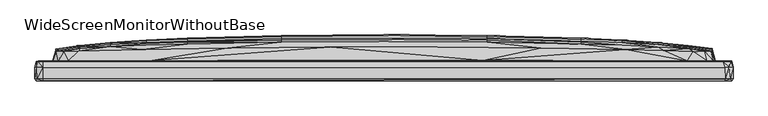
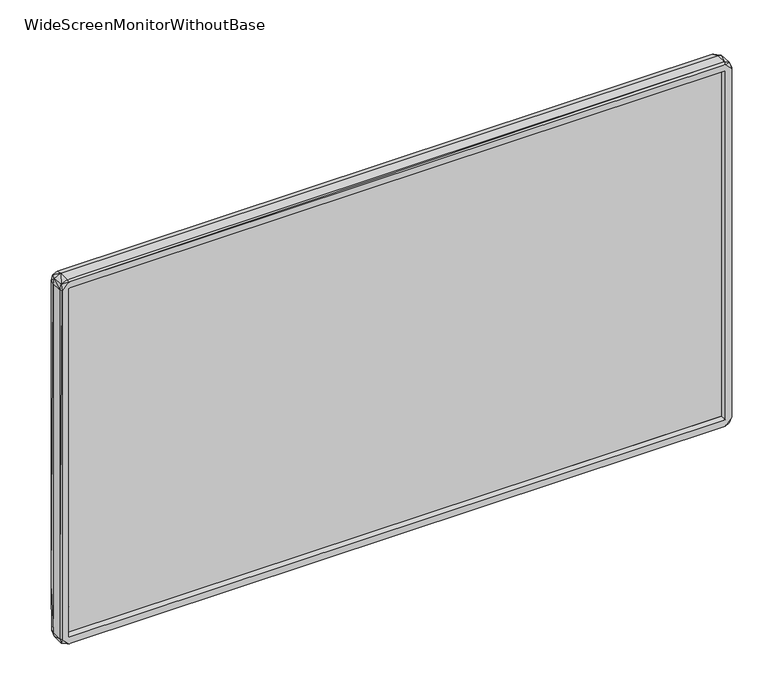
"""IFC4 building model written with IfcOpenShell, lengths in millimetres: furniture geometry, WideScreenMonitorWithoutBase."""

from ifc_helpers import new_model, si_unit, origin, place, context, project, spatial, triangles, source, transform, mapped, element, save


def widescreenmonitorwithoutbase_a085a322(model_context):
    return source(origin(), model_context, "Body", "Tessellation", [
        triangles([(606.276947, 6.781145, 18.9405624), (606.276947, 6.781145, 695.8742397), (606.276947, 3.6811454, 18.9405624), (606.276947, 3.6811454, 695.8742397), (-606.3132457, 3.6810778, 695.8742397), (-606.3132457, 6.781078, 695.8742397), (-606.3132457, 6.781078, 18.9405624), (-606.3132457, 3.6810778, 18.9405624)], [[1, 2, 3], [3, 2, 4], [5, 4, 2], [5, 2, 6], [7, 1, 3], [7, 3, 8], [7, 6, 1], [7, 8, 5], [7, 5, 6], [8, 3, 4], [8, 4, 5], [1, 6, 2]]),
        triangles([(-13.0074932, 11.6199995, 609.2450071), (606.3004558, 11.4200333, 695.9057785), (-606.3154258, 11.4199663, 695.9057785), (591.6004809, 32.0200318, 654.4450098), (586.7004893, 49.2868671, 640.8449678), (584.5004783, 48.6868674, 657.9056997), (588.3004643, 31.9200311, 669.4057245), (621.1004608, 31.4200298, 622.4450008), (619.2005041, 31.3200314, 704.7057501), (623.6004536, 20.3200351, 699.605698), (-586.8154896, 50.6868044, 601.9449803), (-585.3154721, 48.8868007, 652.6449743), (-544.0146864, 54.0868058, 618.7450087), (-582.0154555, 31.919963, 677.2057571), (-572.215436, 48.4868024, 674.2057222), (-545.1146193, 49.2868035, 681.5057127), (-489.5138706, 57.4868072, 618.0450514), (-432.0130563, 52.7868125, 681.7057005), (-424.9130899, 59.986809, 624.0450485), (-351.3122772, 62.286814, 624.0450485), (-280.5114753, 55.2868189, 681.7057005), (-183.5098925, 65.3868246, 624.0450485), (-95.0090899, 56.5868303, 681.7057005), (-0.0074953, 66.3868317, 624.0450485), (93.2940965, 56.5868349, 681.7057005), (183.4949043, 65.3868383, 624.0450485), (280.4964871, 55.2868461, 681.7057005), (351.2973072, 62.2868503, 624.0450485), (431.9980863, 52.7868579, 681.7057005), (424.8980836, 59.9868545, 624.0450485), (489.4989006, 57.1868618, 624.0450485), (499.3988777, 50.9868587, 681.7057005), (543.99968, 53.786865, 624.0450485), (552.2996821, 48.9868627, 681.3057249), (572.7005081, 48.4868705, 673.9057405), (-623.7154902, 20.219964, 699.2057224), (-623.7154902, -0.3800346, 699.605698), (-621.615473, 20.219964, 708.005694), (-620.915443, 31.3199655, 698.3057047), (-621.1154308, -4.0800343, 699.2057224), (-620.5154675, -0.3800344, 709.3056873), (-609.4154546, 20.2199663, 714.7057211), (-618.3154564, 31.3199655, 707.9057001), (-609.4154546, -4.0800338, 712.1057344), (-609.6154787, -4.0800338, 699.605698), (-609.3154607, -0.3800338, 714.7057211), (-609.5154848, 31.3199655, 712.0057405), (-606.3154258, 3.7199662, 695.9057785), (606.3004558, 3.7200338, 695.9057785), (609.6005087, -4.0799659, 699.605698), (609.2004604, -4.0799659, 712.1057344), (-563.9146708, 32.0199682, 685.5057592), (-415.1130704, 32.6199748, 686.8057526), (176.0949018, 33.0200094, 686.8057526), (605.3004805, 31.3200314, 712.1057344), (608.9004787, 20.2200344, 714.805715), (609.4004482, -0.379966, 714.805715), (541.799669, 32.1200257, 686.705686), (577.6004634, 31.9200311, 680.8057554), (616.3004631, 20.9200326, 712.8057644), (620.900473, -4.0799654, 699.9057524), (618.5004742, -0.3799655, 711.4057772), (623.7005201, -0.3799652, 699.4057102), (-623.7154902, 20.219964, 15.6373813), (-623.7154902, -0.3800346, 15.3373803), (-621.5154791, 20.219964, 6.8373813), (-619.9155041, 31.3199655, 10.937382), (-621.1154308, 31.4199617, 92.5981361), (-620.5154675, -0.3800344, 5.2373819), (-620.915443, -4.0800343, 14.9373808), (-609.2154305, 20.2199663, 0.0373818), (-609.3154607, -0.3800338, 0.0373818), (-609.6154787, -4.0800338, 15.1373811), (-609.1154729, -4.0800338, 2.7373817), (-610.1154482, 31.3199655, 2.8373819), (-588.3154707, 31.919963, 45.3373807), (-577.6154334, 31.919963, 33.9373839), (605.3004805, 31.3200314, 2.7373817), (609.3004907, 20.2200344, 0.0373818), (-549.4146475, 32.0199682, 28.0373807), (-167.6098819, 33.2199858, 28.0373807), (609.6005087, -4.0799659, 15.1373811), (-606.3154258, 3.7199662, 18.9373808), (609.2004604, -0.379966, 0.0373818), (609.4004482, -4.0799659, 2.8373819), (606.3004558, 3.7200338, 18.9373808), (-606.3154258, 11.4199663, 18.9373808), (606.3004558, 11.4200333, 18.9373808), (15.4925057, 11.6200007, 105.598142), (263.0957142, 11.6200154, 268.6804205), (-214.3106833, 11.6199882, 434.6626765), (-584.4154181, 48.6867993, 56.7373798), (-572.5154903, 48.4868024, 40.6373815), (-591.615451, 32.019966, 60.2981454), (-548.3146783, 49.0868067, 33.0373821), (-472.2138728, 51.6868069, 32.8373829), (311.1965209, 32.9200178, 28.0373807), (-276.9114588, 55.2868189, 32.8373829), (-107.6090839, 56.4868274, 32.8373829), (108.3941014, 56.5868394, 32.8373829), (269.5964802, 55.3868491, 32.8373829), (412.5980713, 53.1868562, 32.8373829), (560.0996784, 32.0200295, 28.7373811), (548.4996961, 49.0868657, 33.1373805), (572.1004721, 48.4868705, 40.2373832), (582.0004855, 31.9200311, 37.6373829), (621.1004608, 31.3200314, 17.337382), (591.8004687, 32.0200318, 61.8981477), (585.0004478, 48.8868688, 61.5981433), (618.8004559, 20.6200327, 3.8373816), (619.300498, 31.0200315, 8.5373809), (618.8004559, -0.3799654, 3.4373816), (623.7005201, -0.3799652, 15.3373803), (621.1004608, -4.0799654, 15.6373813), (623.7005201, 20.2200367, 15.5373817), (592.0004929, 32.6200315, 376.8019278), (-586.6154291, 49.2868035, 73.6981405), (-544.0146864, 56.6868015, 157.7588844), (-447.5138906, 58.986811, 90.4981462), (-489.5138706, 60.986807, 158.658884), (-351.3122772, 62.286814, 90.4981462), (-183.5098925, 65.3868246, 90.4981462), (-0.0074953, 66.3868317, 90.4981462), (183.4949043, 65.3868383, 90.4981462), (351.2973072, 62.2868503, 90.4981462), (489.4989006, 51.2868631, 32.8373829), (424.8980836, 59.9868545, 90.4981462), (489.4989006, 57.1868618, 90.4981462), (543.99968, 53.786865, 90.4981462), (-592.0154629, 32.6199634, 338.0411759), (-586.8154896, 51.9868023, 161.2589069), (586.8004469, 51.686866, 147.7589043), (-424.9130899, 64.4868069, 159.0588959), (-351.3122772, 65.386811, 126.9589112), (-183.5098925, 68.9868275, 126.9589112), (-0.0074955, 70.1868405, 126.9589112), (183.4949043, 68.9868411, 126.9589112), (351.2973072, 65.3868519, 126.9589112), (424.8980836, 62.7868562, 126.9589112), (489.4989006, 60.7868601, 154.3588921), (543.99968, 56.3868653, 150.1588941), (-586.8154896, 53.686803, 301.0411815), (-544.0146864, 58.9868065, 258.7804253), (-489.5138706, 63.8868072, 258.7804253), (-424.9130899, 68.0868097, 258.7804253), (-351.3122772, 67.9868067, 167.6588978), (-351.3122772, 71.4868066, 258.7804253), (-183.5098925, 71.9868306, 167.6588978), (-183.5098925, 75.9868271, 258.7804253), (-0.0074956, 73.286833, 167.6588978), (-0.0074959, 77.486831, 258.7804253), (183.4949043, 71.9868487, 167.6588978), (183.4949043, 75.9868408, 258.7804253), (351.2973072, 67.9868522, 167.6588978), (351.2973072, 71.486852, 258.7804253), (424.8980836, 64.9868536, 167.6588978), (424.8980836, 68.0868551, 258.7804253), (489.4989006, 63.8868662, 258.7804253), (543.99968, 58.9868655, 258.7804253), (586.8004469, 53.0868668, 228.1196696), (586.8004469, 53.7868695, 389.3019279), (586.8004469, 52.1868673, 542.4842202), (543.99968, 59.6868637, 357.1412092), (-544.0146864, 59.6868001, 357.1412092), (-489.5138706, 64.7868068, 357.1412092), (-424.9130899, 69.0868123, 357.1412092), (-351.3122772, 72.5868121, 357.1412092), (-183.5098925, 77.286825, 357.1412092), (-0.0074959, 78.8868364, 357.1412092), (183.4949043, 77.2868432, 357.1412092), (351.2973072, 72.5868575, 357.1412092), (424.8980836, 69.0868577, 357.1412092), (489.4989006, 64.7868658, 357.1412092), (-591.8154751, 32.019966, 653.1450165), (-586.8154896, 52.9868003, 487.9234517), (-544.0146864, 58.9868065, 455.5626726), (-489.5138706, 63.8868072, 455.5626726), (-424.9130899, 68.0868097, 455.5626726), (-351.3122772, 71.4868066, 455.5626726), (-183.5098925, 75.9868271, 455.5626726), (-0.0074959, 77.486831, 455.5626726), (183.4949043, 75.9868408, 455.5626726), (351.2973072, 71.486852, 455.5626726), (424.8980836, 68.0868551, 455.5626726), (489.4989006, 63.8868662, 455.5626726), (543.99968, 58.9868655, 455.5626726), (-544.0146864, 57.0868044, 546.7842121), (-489.5138706, 61.3868099, 546.7842121), (-424.9130899, 64.9868082, 546.7842121), (-351.3122772, 67.9868067, 546.7842121), (-183.5098925, 71.9868306, 546.7842121), (-0.0074956, 73.286833, 546.7842121), (183.4949043, 71.9868487, 546.7842121), (351.2973072, 67.9868522, 546.7842121), (424.8980836, 64.4868523, 555.3842322), (489.4989006, 60.986857, 555.7842078), (543.99968, 56.6868651, 556.6842619), (-424.9130899, 62.7868107, 587.4842351), (-351.3122772, 65.386811, 587.4842351), (-183.5098925, 68.9868275, 587.4842351), (-0.0074955, 70.1868405, 587.4842351), (183.4949043, 68.9868411, 587.4842351), (351.2973072, 65.3868519, 587.4842351)], [[1, 2, 3], [4, 5, 6], [4, 6, 7], [4, 7, 8], [8, 7, 9], [8, 9, 10], [11, 12, 13], [12, 14, 15], [12, 15, 13], [13, 15, 16], [13, 16, 17], [17, 16, 18], [17, 18, 19], [19, 18, 20], [20, 18, 21], [20, 21, 22], [22, 21, 23], [22, 23, 24], [24, 23, 25], [24, 25, 26], [26, 25, 27], [26, 27, 28], [28, 27, 29], [28, 29, 30], [30, 29, 31], [31, 29, 32], [31, 32, 33], [33, 32, 34], [33, 34, 35], [33, 35, 6], [33, 6, 5], [36, 37, 38], [36, 38, 39], [37, 40, 41], [37, 41, 38], [38, 41, 42], [38, 42, 43], [38, 43, 39], [40, 44, 41], [40, 45, 44], [39, 43, 14], [41, 44, 46], [41, 46, 42], [43, 42, 47], [43, 47, 14], [45, 48, 49], [45, 49, 50], [45, 51, 44], [45, 50, 51], [47, 52, 14], [47, 53, 52], [47, 54, 53], [47, 55, 54], [47, 42, 56], [47, 56, 55], [42, 46, 56], [44, 51, 57], [44, 57, 46], [46, 57, 56], [48, 3, 2], [48, 2, 49], [14, 52, 15], [52, 53, 16], [52, 16, 15], [53, 54, 23], [53, 18, 16], [53, 21, 18], [53, 23, 21], [54, 55, 58], [54, 58, 29], [54, 25, 23], [54, 27, 25], [54, 29, 27], [58, 55, 59], [58, 59, 34], [58, 32, 29], [58, 34, 32], [59, 7, 35], [59, 35, 34], [59, 55, 9], [59, 9, 7], [7, 6, 35], [55, 56, 60], [55, 60, 9], [56, 57, 60], [51, 50, 61], [51, 62, 57], [51, 61, 62], [57, 62, 60], [60, 62, 10], [60, 10, 9], [62, 61, 63], [62, 63, 10], [64, 65, 37], [64, 66, 65], [64, 67, 66], [64, 68, 67], [64, 36, 68], [64, 37, 36], [65, 66, 69], [65, 70, 40], [65, 69, 70], [65, 40, 37], [66, 67, 71], [66, 71, 69], [70, 69, 72], [70, 73, 45], [70, 74, 73], [70, 45, 40], [70, 72, 74], [69, 71, 72], [67, 75, 71], [67, 76, 77], [67, 77, 75], [67, 68, 76], [75, 78, 79], [75, 79, 71], [75, 77, 80], [75, 80, 81], [75, 81, 78], [73, 82, 83], [73, 74, 82], [73, 83, 48], [73, 48, 45], [72, 84, 74], [72, 71, 84], [71, 79, 84], [74, 85, 82], [74, 84, 85], [83, 86, 87], [83, 82, 86], [83, 87, 3], [83, 3, 48], [87, 86, 88], [87, 88, 89], [87, 89, 90], [87, 90, 91], [87, 91, 3], [76, 92, 93], [76, 93, 77], [76, 94, 92], [76, 68, 94], [77, 93, 95], [77, 95, 80], [80, 95, 96], [80, 96, 81], [81, 97, 78], [81, 96, 98], [81, 98, 99], [81, 99, 100], [81, 100, 101], [81, 101, 102], [81, 102, 97], [97, 103, 78], [97, 102, 103], [103, 102, 104], [103, 104, 105], [103, 105, 106], [103, 106, 78], [106, 107, 78], [106, 108, 107], [106, 105, 109], [106, 109, 108], [78, 110, 79], [78, 111, 110], [78, 107, 111], [88, 90, 89], [88, 2, 90], [86, 82, 49], [86, 49, 88], [88, 49, 2], [84, 79, 110], [84, 110, 112], [84, 112, 85], [85, 112, 113], [85, 114, 82], [85, 113, 114], [82, 50, 49], [82, 114, 50], [110, 111, 115], [110, 113, 112], [110, 115, 113], [111, 107, 115], [107, 108, 116], [107, 116, 8], [107, 8, 10], [107, 10, 115], [114, 113, 63], [114, 63, 61], [114, 61, 50], [113, 115, 63], [115, 10, 63], [92, 95, 93], [92, 117, 118], [92, 119, 95], [92, 118, 120], [92, 120, 119], [92, 94, 117], [95, 119, 96], [96, 119, 121], [96, 121, 98], [98, 121, 122], [98, 122, 99], [99, 122, 123], [99, 123, 100], [100, 123, 124], [100, 124, 101], [101, 124, 125], [101, 125, 102], [102, 126, 104], [102, 125, 127], [102, 127, 128], [102, 128, 126], [126, 128, 129], [126, 129, 104], [104, 129, 105], [105, 129, 109], [68, 36, 39], [68, 130, 94], [68, 39, 130], [94, 131, 117], [94, 130, 131], [108, 109, 132], [108, 132, 116], [117, 131, 118], [119, 120, 133], [119, 133, 134], [119, 134, 121], [121, 134, 135], [121, 135, 122], [122, 135, 136], [122, 136, 123], [123, 136, 137], [123, 137, 124], [124, 137, 138], [124, 138, 125], [125, 138, 139], [125, 139, 127], [127, 139, 140], [127, 140, 128], [128, 140, 141], [128, 141, 129], [129, 141, 109], [109, 141, 132], [131, 130, 11], [131, 11, 142], [131, 143, 118], [131, 142, 143], [118, 143, 144], [118, 144, 120], [120, 144, 145], [120, 145, 133], [133, 146, 134], [133, 145, 147], [133, 147, 146], [146, 148, 134], [146, 147, 149], [146, 149, 148], [134, 148, 135], [148, 150, 135], [148, 149, 151], [148, 151, 150], [135, 150, 136], [136, 150, 152], [136, 152, 137], [150, 151, 153], [150, 153, 152], [152, 154, 137], [152, 153, 155], [152, 155, 154], [137, 154, 138], [154, 156, 138], [154, 155, 157], [154, 157, 156], [138, 156, 139], [139, 156, 140], [156, 157, 158], [156, 158, 140], [140, 158, 159], [140, 159, 141], [141, 160, 132], [141, 159, 160], [132, 160, 161], [132, 161, 162], [132, 162, 116], [160, 159, 163], [160, 163, 161], [90, 2, 91], [143, 142, 164], [143, 164, 165], [143, 165, 144], [144, 165, 166], [144, 166, 145], [145, 166, 167], [145, 167, 147], [147, 167, 168], [147, 168, 149], [149, 168, 169], [149, 169, 151], [151, 169, 170], [151, 170, 153], [153, 170, 171], [153, 171, 155], [155, 171, 172], [155, 172, 157], [157, 172, 173], [157, 173, 158], [158, 173, 163], [158, 163, 159], [130, 174, 11], [130, 39, 174], [142, 175, 164], [142, 11, 175], [164, 176, 177], [164, 177, 165], [164, 175, 176], [165, 177, 178], [165, 178, 166], [166, 178, 179], [166, 179, 167], [167, 179, 180], [167, 180, 168], [168, 180, 181], [168, 181, 169], [169, 181, 182], [169, 182, 170], [170, 182, 183], [170, 183, 171], [171, 183, 184], [171, 184, 172], [172, 184, 185], [172, 185, 173], [173, 185, 186], [173, 186, 163], [163, 186, 161], [116, 4, 8], [116, 162, 4], [161, 186, 162], [91, 1, 3], [91, 2, 1], [176, 175, 187], [176, 187, 188], [176, 188, 177], [177, 188, 189], [177, 189, 178], [178, 189, 190], [178, 190, 179], [179, 190, 191], [179, 191, 180], [180, 191, 192], [180, 192, 181], [181, 192, 193], [181, 193, 182], [182, 193, 194], [182, 194, 183], [183, 194, 195], [183, 195, 184], [184, 195, 196], [184, 196, 185], [185, 196, 197], [185, 197, 186], [186, 197, 162], [175, 11, 187], [187, 11, 13], [187, 13, 17], [187, 17, 188], [188, 198, 189], [188, 17, 198], [189, 198, 199], [189, 199, 190], [198, 17, 19], [198, 19, 20], [198, 20, 199], [190, 199, 200], [190, 200, 191], [199, 20, 22], [199, 22, 200], [191, 200, 201], [191, 201, 192], [200, 22, 24], [200, 24, 201], [192, 201, 202], [192, 202, 193], [201, 24, 26], [201, 26, 202], [202, 203, 193], [202, 26, 28], [202, 28, 203], [193, 203, 194], [194, 203, 195], [203, 28, 30], [203, 30, 195], [195, 30, 31], [195, 31, 196], [196, 31, 33], [196, 33, 197], [197, 33, 5], [197, 5, 162], [162, 5, 4], [174, 39, 14], [174, 12, 11], [174, 14, 12]]),
    ])


if __name__ == "__main__":
    model = new_model("IFC4")
    model_context = context("Model", 3, world=origin())
    ifc_project = project(units=[si_unit("LENGTHUNIT", "METRE", prefix="MILLI")], contexts=[model_context])
    site = spatial("IfcSite", under=ifc_project)
    building = spatial("IfcBuilding", under=site)
    placement = place(None, origin())
    widescreenmonitorwithoutbase_shape = widescreenmonitorwithoutbase_a085a322(model_context)
    element("IfcFurniture", 1, ObjectType="WideScreenMonitorWithoutBase", at=placement, inside=building, context=model_context, shape_type="MappedRepresentation", body=[
        mapped(widescreenmonitorwithoutbase_shape, transform((0.0, 0.0, 0.0), x_axis=(1.0, 0.0, 0.0), y_axis=(0.0, 1.0, 0.0), z_axis=(0.0, 0.0, 1.0))),
    ])
    save(model, "model.ifc")
